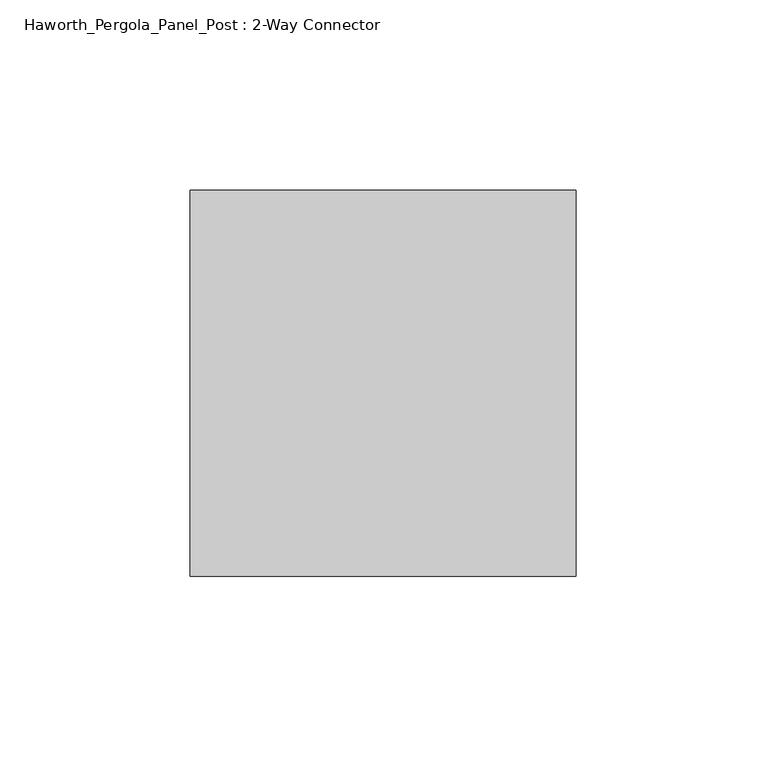
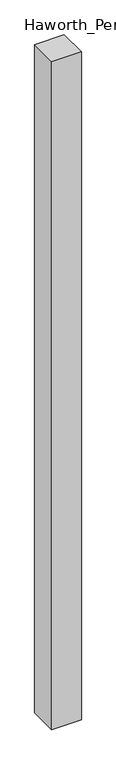
"""IFC4 building model written with IfcOpenShell, lengths in millimetres: furniture geometry, Haworth_Pergola_Panel_Post : 2-Way Connector."""

from ifc_helpers import new_model, si_unit, point, frame, frame_2d, origin, origin_with_axes, place, context, project, spatial, polyline, circle_curve, trimmed, segment, composite_curve, outline, extrude, source, transform, mapped, element, save


def haworth_pergola_panel_post_2_way_connector_a8890e0e(model_context):
    return source(origin(), model_context, "Body", "SweptSolid", [
        extrude(outline(polyline([(88.9, -50.8), (-12.7, -50.8), (-12.7, 50.8), (88.9, 50.8), (88.9, -50.8)])), frame((0.0, 0.0, 12.7), z_axis=(0.0, 0.0, 1.0), x_axis=(1.0, 0.0, 0.0)), (0.0, 0.0, 1.0), 2425.7),
        extrude(outline(composite_curve([segment(trimmed(circle_curve(frame_2d((38.1, 0.0)), 19.0499983), [point((19.0500017, 0.0))], [point((57.1499983, 0.0))], False, "CARTESIAN"), True, "CONTINUOUS"), segment(trimmed(circle_curve(frame_2d((38.1, 0.0)), 19.0499983), [point((57.1499983, 0.0))], [point((19.0500017, 0.0))], False, "CARTESIAN"), True, "CONTINUOUS")], self_intersect=False)), origin_with_axes(), (0.0, 0.0, 1.0), 12.7),
    ])


if __name__ == "__main__":
    model = new_model("IFC4")
    model_context = context("Model", 3, world=origin())
    ifc_project = project(units=[si_unit("LENGTHUNIT", "METRE", prefix="MILLI")], contexts=[model_context])
    site = spatial("IfcSite", under=ifc_project)
    building = spatial("IfcBuilding", under=site)
    placement = place(None, origin())
    haworth_pergola_panel_post_2_way_connector_shape = haworth_pergola_panel_post_2_way_connector_a8890e0e(model_context)
    element("IfcFurniture", 1, ObjectType="Haworth_Pergola_Panel_Post : 2-Way Connector", at=placement, inside=building, context=model_context, shape_type="MappedRepresentation", body=[
        mapped(haworth_pergola_panel_post_2_way_connector_shape, transform((0.0, 0.0, 0.0), x_axis=(1.0, 0.0, 0.0), y_axis=(0.0, 1.0, 0.0), z_axis=(0.0, 0.0, 1.0))),
    ])
    save(model, "model.ifc")
